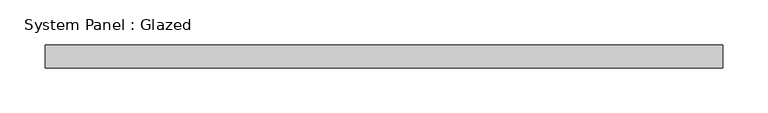
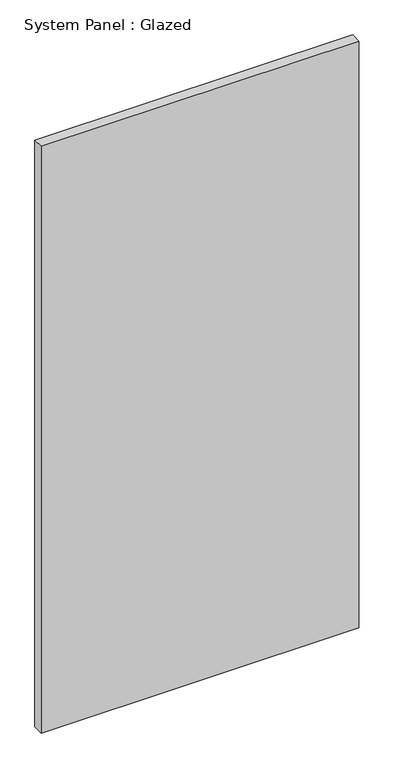
"""IFC4 building model written with IfcOpenShell, lengths in millimetres: plate geometry, System Panel : Glazed."""

from ifc_helpers import new_model, si_unit, origin, origin_with_axes, place, context, project, spatial, polyline, outline, extrude, source, transform, mapped, element, save


def system_panel_glazed_4aa5ad09(model_context):
    return source(origin(), model_context, "Body", "SweptSolid", [
        extrude(outline(polyline([(375.7083333, -44.45), (-375.7083333, -44.45), (-375.7083333, -19.05), (375.7083333, -19.05), (375.7083333, -44.45)])), origin_with_axes(), (0.0, 0.0, 1.0), 1466.85),
    ])


if __name__ == "__main__":
    model = new_model("IFC4")
    model_context = context("Model", 3, world=origin())
    ifc_project = project(units=[si_unit("LENGTHUNIT", "METRE", prefix="MILLI")], contexts=[model_context])
    site = spatial("IfcSite", under=ifc_project)
    building = spatial("IfcBuilding", under=site)
    placement = place(None, origin())
    system_panel_glazed_shape = system_panel_glazed_4aa5ad09(model_context)
    element("IfcPlate", 1, ObjectType="System Panel : Glazed", at=placement, inside=building, context=model_context, shape_type="MappedRepresentation", body=[
        mapped(system_panel_glazed_shape, transform((0.0, 0.0, 0.0), x_axis=(1.0, 0.0, 0.0), y_axis=(0.0, 1.0, 0.0), z_axis=(0.0, 0.0, 1.0))),
    ])
    save(model, "model.ifc")
